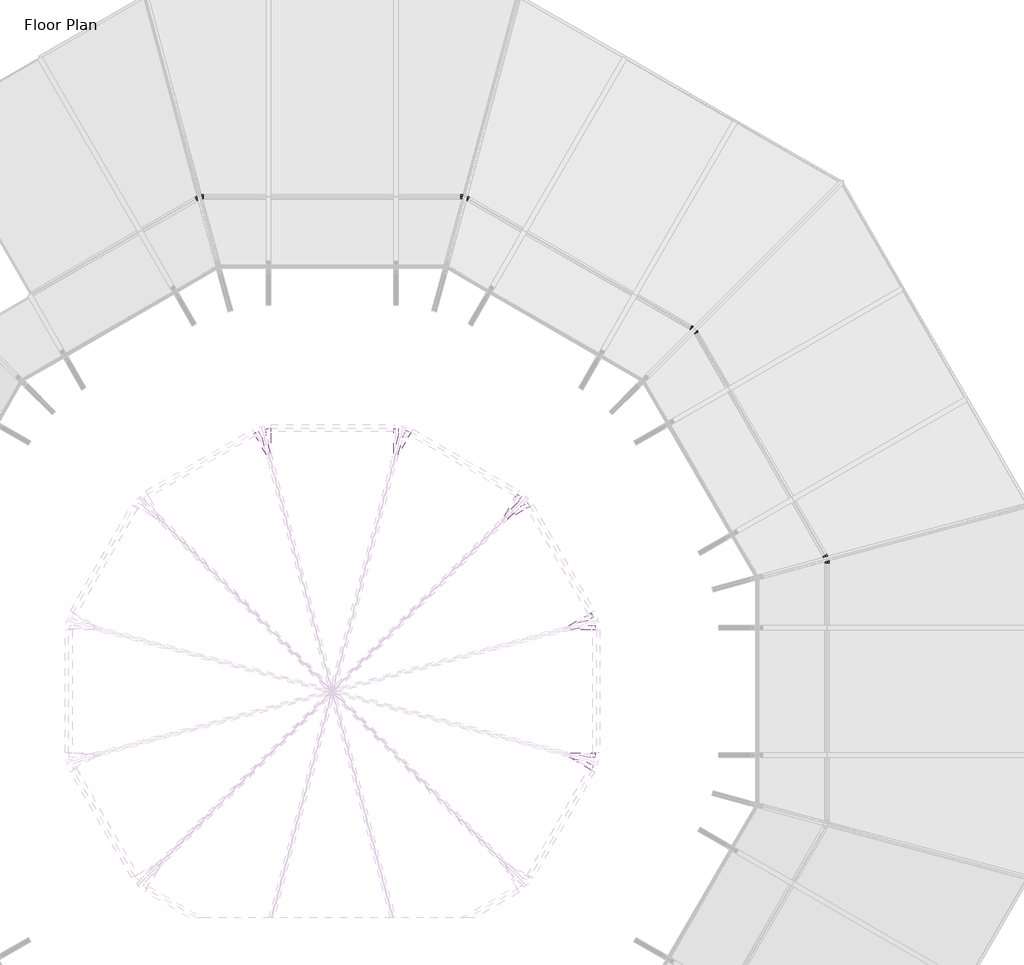
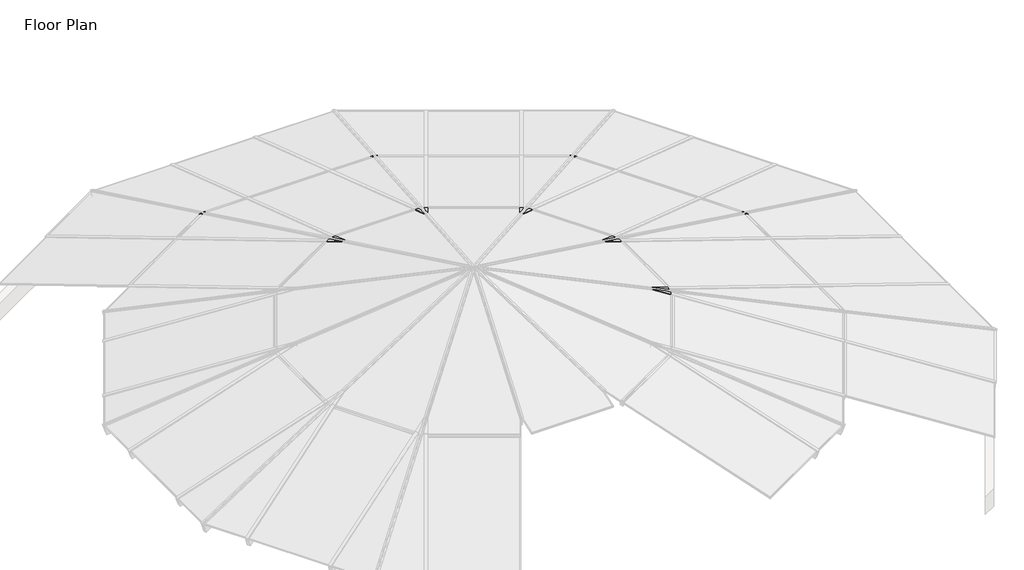
# One storey, part 7 of 7: 18 proxies.
"""IFC4 building model written with IfcOpenShell, lengths in millimetres."""

import ifcopenshell
import ifcopenshell.guid

model = None  # the IFC model being written
_history = None  # IfcOwnerHistory: only IFC2X3 demands one
_inside = {}  # id of a spatial element -> (the spatial element, [elements in it])
_under = {}  # id of a project, library or spatial element -> (it, [spatial elements below it])
_declared = {}  # id of a project -> (the project, [libraries it declares])
_typed = {}  # id of a type object -> (the type object, [elements of that type])
_made_of = {}  # id of a material, layer set ... -> (it, [elements and type objects made of it])


def new_model(schema):
    """Start an empty IFC model of exactly this schema.

    Asked for "IFC4X3", IfcOpenShell would pick the latest addendum, in which some entities
    have other attributes; the version numbers below select the first issue.
    IFC2X3 requires an IfcOwnerHistory on every rooted entity: one is made here for all.
    """
    global model, _history
    if schema == "IFC4X3":
        model = ifcopenshell.file(schema_version=(4, 3, 0, 0))
    else:
        model = ifcopenshell.file(schema=schema)
    _inside.clear()
    _under.clear()
    _declared.clear()
    _typed.clear()
    _made_of.clear()
    _history = None
    if model.schema == "IFC2X3":
        org = make("IfcOrganization", Name="unknown")
        user = make(
            "IfcPersonAndOrganization",
            ThePerson=make("IfcPerson", FamilyName="unknown"),
            TheOrganization=org,
        )
        app = make(
            "IfcApplication",
            ApplicationDeveloper=org,
            Version="unknown",
            ApplicationFullName="unknown",
            ApplicationIdentifier="unknown",
        )
        _history = make(
            "IfcOwnerHistory",
            OwningUser=user,
            OwningApplication=app,
            ChangeAction="ADDED",
            CreationDate=0,
        )
    return model


def make(cls, **values):
    """One entity of the class cls with the attributes given. An attribute that is None is left unset."""
    return model.create_entity(
        cls, **{name: value for name, value in values.items() if value is not None}
    )


def rooted(cls, **values):
    """An entity with a GlobalId (a new one), such as an element, a storey or a relation."""
    return make(cls, GlobalId=ifcopenshell.guid.new(), OwnerHistory=_history, **values)


def si_unit(unit_type, name, prefix=None):
    """IfcSIUnit, for example si_unit("LENGTHUNIT", "METRE", prefix="MILLI")."""
    return make("IfcSIUnit", UnitType=unit_type, Prefix=prefix, Name=name)


def assignment(units):
    """IfcUnitAssignment: the units of a project."""
    return None if units is None else make("IfcUnitAssignment", Units=units)


def point(xyz):
    """IfcCartesianPoint."""
    return None if xyz is None else make("IfcCartesianPoint", Coordinates=xyz)


def direction(xyz):
    """IfcDirection."""
    return None if xyz is None else make("IfcDirection", DirectionRatios=xyz)


def frame(location, z_axis=None, x_axis=None):
    """IfcAxis2Placement3D, a coordinate frame: its origin and axes. An axis left out is left unset."""
    return make(
        "IfcAxis2Placement3D",
        Location=point(location),
        Axis=direction(z_axis),
        RefDirection=direction(x_axis),
    )


def origin():
    """The frame at (0, 0, 0) with its axes left unset."""
    return frame((0.0, 0.0, 0.0))


def place(relative_to, where):
    """IfcLocalPlacement: puts the frame where relative to a parent placement (None: the world)."""
    return make(
        "IfcLocalPlacement", PlacementRelTo=relative_to, RelativePlacement=where
    )


def context(
    kind, dimensions, precision=None, world=None, true_north=None, identifier=None
):
    """IfcGeometricRepresentationContext, for example the 3D "Model" context."""
    return make(
        "IfcGeometricRepresentationContext",
        ContextIdentifier=identifier,
        ContextType=kind,
        CoordinateSpaceDimension=dimensions,
        Precision=precision,
        WorldCoordinateSystem=world,
        TrueNorth=true_north,
    )


def project(units=None, contexts=None):
    """IfcProject with its units and contexts."""
    return rooted(
        "IfcProject",
        Name="project",
        RepresentationContexts=contexts,
        UnitsInContext=assignment(units),
    )


def spatial(cls, under=None, at=None, **own):
    """A site, building, storey or space (cls), placed at a placement, below another one or the project."""
    s = rooted(cls, ObjectPlacement=at, **own)
    if under is not None:
        _under.setdefault(under.id(), (under, []))[1].append(s)
    return s


def faces_of(points, faces, orient=None, outer=None):
    """IfcFace entities. A face is a list of loops; a loop is a list of indices into points, from 0.

    orient and outer hold one flag for each loop. By default every Orientation is true, the
    first loop of a face is its IfcFaceOuterBound and the others are IfcFaceBound.
    """
    made = []
    for i, loops in enumerate(faces):
        bounds = []
        for j, loop in enumerate(loops):
            is_outer = j == 0 if outer is None else outer[i][j]
            bounds.append(
                make(
                    "IfcFaceOuterBound" if is_outer else "IfcFaceBound",
                    Bound=make("IfcPolyLoop", Polygon=[points[k] for k in loop]),
                    Orientation=True if orient is None else orient[i][j],
                )
            )
        made.append(make("IfcFace", Bounds=bounds))
    return made


def faceted_brep(points, faces, orient=None, outer=None, voids=None):
    """IfcFacetedBrep: a solid bounded by flat faces; with voids (closed shells), ...WithVoids."""
    shared = [point(p) for p in points]
    hull = make("IfcClosedShell", CfsFaces=faces_of(shared, faces, orient, outer))
    if voids is None:
        return make("IfcFacetedBrep", Outer=hull)
    return make(
        "IfcFacetedBrepWithVoids",
        Outer=hull,
        Voids=[
            make(cls, CfsFaces=faces_of(shared, fs, o, b)) for cls, fs, o, b in voids
        ],
    )


def shape(context_of_items, identifier, shape_type, items):
    """IfcShapeRepresentation: the items that make up one representation, for example the "Body"."""
    return make(
        "IfcShapeRepresentation",
        ContextOfItems=context_of_items,
        RepresentationIdentifier=identifier,
        RepresentationType=shape_type,
        Items=items,
    )


def made_of(thing, what):
    """Note that an element or type object is made of a material, layer set ...; save() writes the relation."""
    if what is not None:
        _made_of.setdefault(what.id(), (what, []))[1].append(thing)
    return thing


def element(
    cls,
    number,
    at=None,
    inside=None,
    cuts=None,
    type_object=None,
    material=None,
    context=None,
    identifier="Body",
    shape_type=None,
    held_by="IfcProductDefinitionShape",
    body=None,
    shapes=None,
    **own,
):
    """One element of the class cls, such as IfcWall. Its Tag is "e" and its number.

    at: its placement. inside: the storey or other place that contains it. cuts: it is an
    opening in that element (IfcRelVoidsElement). A single representation is given by context,
    identifier, shape_type and body (its items); several are given by shapes. held_by: the class
    of the entity that holds the representations. save() writes the other relations.
    """
    e = rooted(cls, Tag="e%d" % number, ObjectPlacement=at, **own)
    if body is not None:
        shapes = [shape(context, identifier, shape_type, body)]
    if shapes is not None:
        e.Representation = make(held_by, Representations=shapes)
    if inside is not None:
        _inside.setdefault(inside.id(), (inside, []))[1].append(e)
    if cuts is not None:
        rooted(
            "IfcRelVoidsElement", RelatingBuildingElement=cuts, RelatedOpeningElement=e
        )
    if type_object is not None:
        _typed.setdefault(type_object.id(), (type_object, []))[1].append(e)
    return made_of(e, material)


def aggregate(whole, parts):
    """IfcRelAggregates: a whole, such as a stair, and the parts it consists of."""
    return rooted("IfcRelAggregates", RelatingObject=whole, RelatedObjects=parts)


def save(model, path):
    """Write the relations noted so far, then the file.

    IfcRelAggregates (storeys below a building ...), IfcRelContainedInSpatialStructure (elements
    in a storey), IfcRelDefinesByType, IfcRelAssociatesMaterial and IfcRelDeclares: one each for
    every whole, place, type object, material and project.
    """
    for whole, parts in _under.values():
        aggregate(whole, parts)
    for where, things in _inside.values():
        rooted(
            "IfcRelContainedInSpatialStructure",
            RelatedElements=things,
            RelatingStructure=where,
        )
    for kind, things in _typed.values():
        rooted("IfcRelDefinesByType", RelatedObjects=things, RelatingType=kind)
    for what, things in _made_of.values():
        rooted("IfcRelAssociatesMaterial", RelatedObjects=things, RelatingMaterial=what)
    for by, libraries in _declared.values():
        rooted("IfcRelDeclares", RelatingContext=by, RelatedDefinitions=libraries)
    model.write(path)


model = new_model("IFC4")

# Units and contexts
model_context = context("Model", 3, world=origin())
ifc_project = project(units=[si_unit("LENGTHUNIT", "METRE", prefix="MILLI")], contexts=[model_context])

# Site, building, storey
site = spatial("IfcSite", under=ifc_project)
building = spatial("IfcBuilding", under=site)
storey = spatial("IfcBuildingStorey", under=building, Name="Floor Plan", Elevation=0.0)

# Proxies
placement = place(None, origin())
element("IfcBuildingElementProxy", 1, Name="Purlin10 : Purlin", ObjectType="Purlin10 : Purlin", at=placement, inside=storey, context=model_context, shape_type="Brep", body=[
    faceted_brep([(10444.2562275, 7986.98123, 912.0046085), (10433.0863309, 8006.3280584, 894.2792535), (10434.0597695, 8004.6420132, 888.4811234), (10442.3484329, 7990.2856272, 894.0053081), (10445.8985537, 7984.1366375, 872.6984486), (10437.6151242, 7998.4839582, 867.1777521), (10449.7124758, 7977.5307307, 794.5727396), (10479.8340376, 7925.3586552, 814.6479994), (10467.736686, 7946.3118828, 887.253012), (10459.8207396, 7960.0227042, 881.9772337), (10456.2706187, 7966.1716939, 903.2840932), (10464.1747053, 7952.4814144, 908.5519672), (10463.2078927, 7954.155983, 914.3545133), (10448.9544362, 7978.8436938, 915.1358458), (10468.0492348, 8000.7181291, 912.0046085), (10462.0638334, 8023.0582273, 894.2792535), (10462.5858288, 8021.1115413, 888.4811234), (10467.0277101, 8004.5342146, 894.0053081), (10468.9314305, 7997.4346751, 872.6984486), (10464.492354, 8014.0015341, 867.1777521), (10470.9794497, 7989.8092238, 794.5727396), (10487.121546, 7929.5661002, 814.6479994), (10480.6344503, 7953.7584104, 887.253012), (10476.3923074, 7969.5903033, 881.9772337), (10474.4885871, 7976.6898429, 903.2840932), (10478.7243743, 7960.8816697, 908.5519672), (10478.2059297, 7962.8151037, 914.3545133), (10470.5669972, 7991.3217117, 915.1358458)], [[[0, 1, 2, 3, 4, 5, 6, 7, 8, 9, 10, 11, 12, 13]], [[1, 0, 14, 15]], [[2, 1, 15, 16]], [[3, 2, 16, 17]], [[4, 3, 17, 18]], [[5, 4, 18, 19]], [[6, 5, 19, 20]], [[7, 6, 20, 21]], [[8, 7, 21, 22]], [[9, 8, 22, 23]], [[10, 9, 23, 24]], [[11, 10, 24, 25]], [[12, 11, 25, 26]], [[13, 12, 26, 27]], [[0, 13, 27, 14]], [[15, 14, 27, 26, 25, 24, 23, 22, 21, 20, 19, 18, 17, 16]]]),
])
element("IfcBuildingElementProxy", 2, Name="Purlin11 : Purlin", ObjectType="Purlin11 : Purlin", at=placement, inside=storey, context=model_context, shape_type="Brep", body=[
    faceted_brep([(10556.9164247, 8017.1684389, 912.0046085), (10556.9164247, 8007.7720215, 915.1358458), (10556.9164247, 7979.2651084, 914.3545133), (10556.9164247, 7977.3314833, 908.5519672), (10556.9164247, 7993.1396564, 903.2840932), (10556.9164247, 7986.0394146, 881.9772337), (10556.9164247, 7970.2075217, 887.253012), (10556.9164247, 7946.0128186, 814.6479994), (10556.9164247, 8006.2559422, 794.5727396), (10556.9164247, 8030.4506454, 867.1777521), (10556.9164247, 8013.8837864, 872.6984486), (10556.9164247, 8020.9840281, 894.0053081), (10556.9164247, 8037.5613548, 888.4811234), (10556.9164247, 8039.5082321, 894.2792535), (10523.4560869, 8039.5082321, 894.2792535), (10529.4426264, 8017.1684389, 912.0046085), (10523.9773687, 8037.5613548, 888.4811234), (10528.41925, 8020.9840281, 894.0053081), (10530.3203496, 8013.8837864, 872.6984486), (10525.8812731, 8030.4506454, 867.1777521), (10532.3594385, 8006.2559422, 794.5727396), (10548.5015349, 7946.0128186, 814.6479994), (10542.0233694, 7970.2075217, 887.253012), (10537.7812265, 7986.0394146, 881.9772337), (10535.8801269, 7993.1396564, 903.2840932), (10540.1159141, 7977.3314833, 908.5519672), (10539.5981833, 7979.2651084, 914.3545133), (10531.9603889, 8007.7720215, 915.1358458)], [[[0, 1, 2, 3, 4, 5, 6, 7, 8, 9, 10, 11, 12, 13]], [[0, 13, 14, 15]], [[13, 12, 16, 14]], [[12, 11, 17, 16]], [[11, 10, 18, 17]], [[10, 9, 19, 18]], [[9, 8, 20, 19]], [[8, 7, 21, 20]], [[7, 6, 22, 21]], [[6, 5, 23, 22]], [[5, 4, 24, 23]], [[4, 3, 25, 24]], [[3, 2, 26, 25]], [[2, 1, 27, 26]], [[1, 0, 15, 27]], [[15, 14, 16, 17, 18, 19, 20, 21, 22, 23, 24, 25, 26, 27]]]),
])
element("IfcBuildingElementProxy", 3, Name="Purlin12 : Purlin", ObjectType="Purlin12 : Purlin", at=placement, inside=storey, context=model_context, shape_type="Brep", body=[
    faceted_brep([(14016.3874813, 8017.1684389, 912.0046085), (14016.3874813, 8039.5082321, 894.2792535), (14016.3874813, 8037.5613548, 888.4811234), (14016.3874813, 8020.9840281, 894.0053081), (14016.3874813, 8013.8837864, 872.6984486), (14016.3874813, 8030.4506454, 867.1777521), (14016.3874813, 8006.2559422, 794.5727396), (14016.3874813, 7946.0128186, 814.6479994), (14016.3874813, 7970.2075217, 887.253012), (14016.3874813, 7986.0394146, 881.9772337), (14016.3874813, 7993.1396564, 903.2840932), (14016.3874813, 7977.3314833, 908.5519672), (14016.3874813, 7979.2651084, 914.3545133), (14016.3874813, 8007.7720215, 915.1358458), (14043.8612796, 8017.1684389, 912.0046085), (14049.8478191, 8039.5082321, 894.2792535), (14049.3265374, 8037.5613548, 888.4811234), (14044.8846561, 8020.9840281, 894.0053081), (14042.9835565, 8013.8837864, 872.6984486), (14047.422633, 8030.4506454, 867.1777521), (14040.9444675, 8006.2559422, 794.5727396), (14024.8023712, 7946.0128186, 814.6479994), (14031.2805366, 7970.2075217, 887.253012), (14035.5226795, 7986.0394146, 881.9772337), (14037.4237792, 7993.1396564, 903.2840932), (14033.1879919, 7977.3314833, 908.5519672), (14033.7057228, 7979.2651084, 914.3545133), (14041.3435172, 8007.7720215, 915.1358458)], [[[0, 1, 2, 3, 4, 5, 6, 7, 8, 9, 10, 11, 12, 13]], [[1, 0, 14, 15]], [[2, 1, 15, 16]], [[3, 2, 16, 17]], [[4, 3, 17, 18]], [[5, 4, 18, 19]], [[6, 5, 19, 20]], [[7, 6, 20, 21]], [[8, 7, 21, 22]], [[9, 8, 22, 23]], [[10, 9, 23, 24]], [[11, 10, 24, 25]], [[12, 11, 25, 26]], [[13, 12, 26, 27]], [[0, 13, 27, 14]], [[15, 14, 27, 26, 25, 24, 23, 22, 21, 20, 19, 18, 17, 16]]]),
])
element("IfcBuildingElementProxy", 4, Name="Purlin13 : Purlin", ObjectType="Purlin13 : Purlin", at=placement, inside=storey, context=model_context, shape_type="Brep", body=[
    faceted_brep([(14129.0483017, 7986.981063, 912.0046085), (14124.350093, 7978.8435269, 915.1358458), (14110.0966365, 7954.155816, 914.3545133), (14109.1298239, 7952.4812475, 908.5519672), (14117.0339104, 7966.171527, 903.2840932), (14113.4837895, 7960.0225373, 881.9772337), (14105.5678431, 7946.3117158, 887.253012), (14093.4704915, 7925.3584883, 814.6479994), (14123.5920533, 7977.5305637, 794.5727396), (14135.6894049, 7998.4837913, 867.1777521), (14127.4059754, 7984.1364705, 872.6984486), (14130.9560963, 7990.2854602, 894.0053081), (14139.2447596, 8004.6418463, 888.4811234), (14140.2181983, 8006.3278915, 894.2792535), (14111.2406957, 8023.0580603, 894.2792535), (14105.2552944, 8000.7179622, 912.0046085), (14110.7187003, 8021.1113743, 888.4811234), (14106.276819, 8004.5340476, 894.0053081), (14104.3730987, 7997.4345081, 872.6984486), (14108.8121752, 8014.0013671, 867.1777521), (14102.3250795, 7989.8090568, 794.5727396), (14086.1829831, 7929.5659332, 814.6479994), (14092.6700788, 7953.7582435, 887.253012), (14096.9122218, 7969.5901364, 881.9772337), (14098.8159421, 7976.6896759, 903.2840932), (14094.5801549, 7960.8815028, 908.5519672), (14095.0985994, 7962.8149367, 914.3545133), (14102.7375319, 7991.3215448, 915.1358458)], [[[0, 1, 2, 3, 4, 5, 6, 7, 8, 9, 10, 11, 12, 13]], [[0, 13, 14, 15]], [[13, 12, 16, 14]], [[12, 11, 17, 16]], [[11, 10, 18, 17]], [[10, 9, 19, 18]], [[9, 8, 20, 19]], [[8, 7, 21, 20]], [[7, 6, 22, 21]], [[6, 5, 23, 22]], [[5, 4, 24, 23]], [[4, 3, 25, 24]], [[3, 2, 26, 25]], [[2, 1, 27, 26]], [[1, 0, 15, 27]], [[15, 14, 16, 17, 18, 19, 20, 21, 22, 23, 24, 25, 26, 27]]]),
])
element("IfcBuildingElementProxy", 5, Name="Purlin14 : Purlin", ObjectType="Purlin14 : Purlin", at=placement, inside=storey, context=model_context, shape_type="Brep", body=[
    faceted_brep([(17125.0375807, 6257.2458463, 912.0046085), (17136.2074773, 6276.5926747, 894.2792535), (17135.2340386, 6274.9066295, 888.4811234), (17126.9453753, 6260.5502435, 894.0053081), (17123.3952544, 6254.4012538, 872.6984486), (17131.6786839, 6268.7485745, 867.1777521), (17119.5813324, 6247.795347, 794.5727396), (17089.4597706, 6195.6232715, 814.6479994), (17101.5571221, 6216.5764991, 887.253012), (17109.4730686, 6230.2873205, 881.9772337), (17113.0231894, 6236.4363102, 903.2840932), (17105.1191029, 6222.7460307, 908.5519672), (17106.0859155, 6224.4205993, 914.3545133), (17120.339372, 6249.1083101, 915.1358458), (17148.830588, 6243.5089471, 912.0046085), (17165.1849798, 6259.8625058, 894.2792535), (17163.760098, 6258.4371015, 888.4811234), (17151.6246526, 6246.3016561, 894.0053081), (17146.4281312, 6241.1032162, 872.6984486), (17158.5559137, 6253.2309987, 867.1777521), (17140.8483063, 6235.5168539, 794.5727396), (17096.747279, 6191.4158266, 814.6479994), (17114.4548864, 6209.1299714, 887.253012), (17126.0446364, 6220.7197214, 881.9772337), (17131.2411578, 6225.9181613, 903.2840932), (17119.6687719, 6214.3457754, 908.5519672), (17121.0839525, 6215.7614785, 914.3545133), (17141.951933, 6236.6302922, 915.1358458)], [[[0, 1, 2, 3, 4, 5, 6, 7, 8, 9, 10, 11, 12, 13]], [[1, 0, 14, 15]], [[2, 1, 15, 16]], [[3, 2, 16, 17]], [[4, 3, 17, 18]], [[5, 4, 18, 19]], [[6, 5, 19, 20]], [[7, 6, 20, 21]], [[8, 7, 21, 22]], [[9, 8, 22, 23]], [[10, 9, 23, 24]], [[11, 10, 24, 25]], [[12, 11, 25, 26]], [[13, 12, 26, 27]], [[0, 13, 27, 14]], [[15, 14, 27, 26, 25, 24, 23, 22, 21, 20, 19, 18, 17, 16]]]),
])
element("IfcBuildingElementProxy", 6, Name="Purlin15 : Purlin", ObjectType="Purlin15 : Purlin", at=placement, inside=storey, context=model_context, shape_type="Brep", body=[
    faceted_brep([(17207.5110252, 6174.7724018, 912.0046085), (17199.373489, 6170.0741931, 915.1358458), (17174.6857782, 6155.8207366, 914.3545133), (17173.0112096, 6154.853924, 908.5519672), (17186.7014891, 6162.7580105, 903.2840932), (17180.5524994, 6159.2078897, 881.9772337), (17166.841678, 6151.2919432, 887.253012), (17145.8884504, 6139.1945916, 814.6479994), (17198.0605259, 6169.3161535, 794.5727396), (17219.0137535, 6181.413505, 867.1777521), (17204.6664327, 6173.1300755, 872.6984486), (17210.8154224, 6176.6801964, 894.0053081), (17225.1718085, 6184.9688597, 888.4811234), (17226.8578536, 6185.9422984, 894.2792535), (17210.1276847, 6214.9198009, 894.2792535), (17193.774126, 6198.565409, 912.0046085), (17208.7022804, 6213.4949191, 888.4811234), (17196.566835, 6201.3594737, 894.0053081), (17191.3683951, 6196.1629523, 872.6984486), (17203.4961776, 6208.2907348, 867.1777521), (17185.7820328, 6190.5831273, 794.5727396), (17141.6810055, 6146.4821, 814.6479994), (17159.3951503, 6164.1897075, 887.253012), (17170.9849003, 6175.7794574, 881.9772337), (17176.1833402, 6180.9759789, 903.2840932), (17164.6109543, 6169.403593, 908.5519672), (17166.0266574, 6170.8187736, 914.3545133), (17186.8954711, 6191.6867541, 915.1358458)], [[[0, 1, 2, 3, 4, 5, 6, 7, 8, 9, 10, 11, 12, 13]], [[0, 13, 14, 15]], [[13, 12, 16, 14]], [[12, 11, 17, 16]], [[11, 10, 18, 17]], [[10, 9, 19, 18]], [[9, 8, 20, 19]], [[8, 7, 21, 20]], [[7, 6, 22, 21]], [[6, 5, 23, 22]], [[5, 4, 24, 23]], [[4, 3, 25, 24]], [[3, 2, 26, 25]], [[2, 1, 27, 26]], [[1, 0, 15, 27]], [[15, 14, 16, 17, 18, 19, 20, 21, 22, 23, 24, 25, 26, 27]]]),
])
element("IfcBuildingElementProxy", 7, Name="Purlin16 : Purlin", ObjectType="Purlin16 : Purlin", at=placement, inside=storey, context=model_context, shape_type="Brep", body=[
    faceted_brep([(18937.2465535, 3178.7825831, 912.0046085), (18956.5933819, 3189.9524797, 894.2792535), (18954.9073367, 3188.9790411, 888.4811234), (18940.5509507, 3180.6903777, 894.0053081), (18934.401961, 3177.1402569, 872.6984486), (18948.7492817, 3185.4236864, 867.1777521), (18927.7960542, 3173.3263348, 794.5727396), (18875.6239787, 3143.204773, 814.6479994), (18896.5772063, 3155.3021246, 887.253012), (18910.2880277, 3163.218071, 881.9772337), (18916.4370174, 3166.7681919, 903.2840932), (18902.7467379, 3158.8641053, 908.5519672), (18904.4213065, 3159.8309179, 914.3545133), (18929.1090173, 3174.0843744, 915.1358458), (18950.9834526, 3154.9895758, 912.0046085), (18973.3235508, 3160.9749772, 894.2792535), (18971.3768648, 3160.4529817, 888.4811234), (18954.7995381, 3156.0111005, 894.0053081), (18947.6999986, 3154.1073801, 872.6984486), (18964.2668576, 3158.5464566, 867.1777521), (18940.0745473, 3152.0593609, 794.5727396), (18879.8314237, 3135.9172646, 814.6479994), (18904.023734, 3142.4043603, 887.253012), (18919.8556268, 3146.6465032, 881.9772337), (18926.9551664, 3148.5502235, 903.2840932), (18911.1469932, 3144.3144363, 908.5519672), (18913.0804272, 3144.8328808, 914.3545133), (18941.5870353, 3152.4718134, 915.1358458)], [[[0, 1, 2, 3, 4, 5, 6, 7, 8, 9, 10, 11, 12, 13]], [[1, 0, 14, 15]], [[2, 1, 15, 16]], [[3, 2, 16, 17]], [[4, 3, 17, 18]], [[5, 4, 18, 19]], [[6, 5, 19, 20]], [[7, 6, 20, 21]], [[8, 7, 21, 22]], [[9, 8, 22, 23]], [[10, 9, 23, 24]], [[11, 10, 24, 25]], [[12, 11, 25, 26]], [[13, 12, 26, 27]], [[0, 13, 27, 14]], [[15, 14, 27, 26, 25, 24, 23, 22, 21, 20, 19, 18, 17, 16]]]),
])
element("IfcBuildingElementProxy", 8, Name="Purlin17 : Purlin", ObjectType="Purlin17 : Purlin", at=placement, inside=storey, context=model_context, shape_type="Brep", body=[
    faceted_brep([(18967.4339293, 3066.1217628, 912.0046085), (18958.0375119, 3066.1217628, 915.1358458), (18929.5305989, 3066.1217628, 914.3545133), (18927.5969737, 3066.1217628, 908.5519672), (18943.4051468, 3066.1217628, 903.2840932), (18936.3049051, 3066.1217628, 881.9772337), (18920.4730122, 3066.1217628, 887.253012), (18896.2783091, 3066.1217628, 814.6479994), (18956.5214327, 3066.1217628, 794.5727396), (18980.7161358, 3066.1217628, 867.1777521), (18964.1492768, 3066.1217628, 872.6984486), (18971.2495186, 3066.1217628, 894.0053081), (18987.8268452, 3066.1217628, 888.4811234), (18989.7737225, 3066.1217628, 894.2792535), (18989.7737225, 3099.5821006, 894.2792535), (18967.4339293, 3093.5955611, 912.0046085), (18987.8268452, 3099.0608188, 888.4811234), (18971.2495186, 3094.6189375, 894.0053081), (18964.1492768, 3092.7178379, 872.6984486), (18980.7161358, 3097.1569144, 867.1777521), (18956.5214327, 3090.678749, 794.5727396), (18896.2783091, 3074.5366526, 814.6479994), (18920.4730122, 3081.0148181, 887.253012), (18936.3049051, 3085.256961, 881.9772337), (18943.4051468, 3087.1580606, 903.2840932), (18927.5969737, 3082.9222734, 908.5519672), (18929.5305989, 3083.4400042, 914.3545133), (18958.0375119, 3091.0777986, 915.1358458)], [[[0, 1, 2, 3, 4, 5, 6, 7, 8, 9, 10, 11, 12, 13]], [[0, 13, 14, 15]], [[13, 12, 16, 14]], [[12, 11, 17, 16]], [[11, 10, 18, 17]], [[10, 9, 19, 18]], [[9, 8, 20, 19]], [[8, 7, 21, 20]], [[7, 6, 22, 21]], [[6, 5, 23, 22]], [[5, 4, 24, 23]], [[4, 3, 25, 24]], [[3, 2, 26, 25]], [[2, 1, 27, 26]], [[1, 0, 15, 27]], [[15, 14, 16, 17, 18, 19, 20, 21, 22, 23, 24, 25, 26, 27]]]),
])
element("IfcBuildingElementProxy", 9, Name="Rafter10 : Rafter", ObjectType="Rafter10 : Rafter", at=placement, inside=storey, context=model_context, shape_type="Brep", body=[
    faceted_brep([(11396.9204891, 4534.1320979, 2050.4944179), (11396.9186367, 4534.1353065, 2067.2264209), (11232.4408201, 4819.0192415, 1957.6061122), (11234.9502276, 4814.6728203, 1942.5453313), (11377.8704891, 4605.2276658, 2026.8027181), (11251.4480115, 4824.1978203, 1942.5453313), (11377.8731122, 4605.2231225, 2003.1102019), (11255.0013325, 4818.0432878, 1921.2192655), (11388.9983122, 4563.7033109, 2016.9461546), (11245.3666267, 4812.4806878, 1921.2192655), (11388.999148, 4563.7018632, 2009.3966748), (11246.4988713, 4810.5195825, 1914.4238412), (11381.048948, 4593.3724135, 1999.5093388), (11253.3839465, 4814.4946825, 1914.4238412), (11381.0498698, 4593.370817, 1991.1834941), (11254.6326277, 4812.3319033, 1906.9295966), (11396.9248698, 4534.1245104, 2010.9265773), (11240.8844744, 4804.3944033, 1906.9295966), (11396.9408957, 4534.0967528, 1866.1746732), (11262.5938604, 4766.7926438, 1776.6357688), (11333.4408957, 4771.0819791, 1787.2023406), (11317.5864735, 4798.5426438, 1776.6357688), (11333.4248698, 4771.1097367, 1931.9542447), (11295.8770875, 4836.1444033, 1906.9295966), (11349.2998698, 4711.8634301, 1951.6973279), (11282.1289342, 4828.2069033, 1906.9295966), (11349.298948, 4711.8650267, 1960.0231725), (11280.8802531, 4830.3696825, 1914.4238412), (11341.348748, 4741.535577, 1950.1358365), (11287.7653282, 4834.3447825, 1914.4238412), (11341.3479122, 4741.5370247, 1957.6853162), (11286.6330836, 4836.3058878, 1921.2192655), (11352.4731122, 4700.0172131, 1971.5212689), (11276.9983778, 4830.7432878, 1921.2192655), (11352.4704891, 4700.0217563, 1995.2137851), (11273.4450568, 4836.8978203, 1942.5453313), (11333.4204891, 4771.1173242, 1971.5220853), (11289.9428407, 4846.4228203, 1942.5453313), (11333.4186367, 4771.1205327, 1988.2540883), (11287.4334332, 4850.7692415, 1957.6061122)], [[[0, 1, 2, 3]], [[4, 0, 3, 5]], [[6, 4, 5, 7]], [[8, 6, 7, 9]], [[10, 8, 9, 11]], [[12, 10, 11, 13]], [[14, 12, 13, 15]], [[16, 14, 15, 17]], [[18, 16, 17, 19]], [[20, 18, 19, 21]], [[22, 20, 21, 23]], [[24, 22, 23, 25]], [[26, 24, 25, 27]], [[28, 26, 27, 29]], [[30, 28, 29, 31]], [[32, 30, 31, 33]], [[34, 32, 33, 35]], [[36, 34, 35, 37]], [[38, 36, 37, 39]], [[1, 38, 39, 2]], [[1, 0, 4, 6, 8, 10, 12, 14, 16, 18, 20, 22, 24, 26, 28, 30, 32, 34, 36, 38]], [[3, 2, 39, 37, 35, 33, 31, 29, 27, 25, 23, 21, 19, 17, 15, 13, 11, 9, 7, 5]]]),
])
element("IfcBuildingElementProxy", 10, Name="Rafter11 : Rafter", ObjectType="Rafter11 : Rafter", at=placement, inside=storey, context=model_context, shape_type="Brep", body=[
    faceted_brep([(11458.3095389, 4550.5849491, 2067.2264209), (11458.3095389, 4550.5812442, 2050.4944179), (11458.3095389, 4876.0739925, 1942.0280719), (11458.3095389, 4881.0928074, 1957.0888528), (11439.2595389, 4621.6768121, 2026.8027181), (11439.2595389, 4876.0739925, 1942.0280719), (11439.2595389, 4621.671566, 2003.1102019), (11439.2595389, 4868.9673505, 1920.7020061), (11450.3847389, 4580.1517544, 2016.9461546), (11450.3847389, 4868.9673505, 1920.7020061), (11450.3847389, 4580.1500827, 2009.3966748), (11450.3847389, 4866.7028612, 1913.9065818), (11442.4345389, 4609.820633, 1999.5093388), (11442.4345389, 4866.7028612, 1913.9065818), (11442.4345389, 4609.8187895, 1991.1834941), (11442.4345389, 4864.2054989, 1906.4123372), (11458.3095389, 4550.5724829, 2010.9265773), (11458.3095389, 4864.2054989, 1906.4123372), (11458.3095389, 4550.5404312, 1866.1746732), (11458.3095389, 4820.7867269, 1776.1185094), (11394.8095389, 4787.5256575, 1787.2023406), (11394.8095389, 4820.7867269, 1776.1185094), (11394.8095389, 4787.5577092, 1931.9542447), (11394.8095389, 4864.2054989, 1906.4123372), (11410.6845389, 4728.3114026, 1951.6973279), (11410.6845389, 4864.2054989, 1906.4123372), (11410.6845389, 4728.3132462, 1960.0231725), (11410.6845389, 4866.7028612, 1913.9065818), (11402.7343389, 4757.9837965, 1950.1358365), (11402.7343389, 4866.7028612, 1913.9065818), (11402.7343389, 4757.9854682, 1957.6853162), (11402.7343389, 4868.9673505, 1920.7020061), (11413.8595389, 4716.4656565, 1971.5212689), (11413.8595389, 4868.9673505, 1920.7020061), (11413.8595389, 4716.4709026, 1995.2137851), (11413.8595389, 4876.0739925, 1942.0280719), (11394.8095389, 4787.5664705, 1971.5220853), (11394.8095389, 4876.0739925, 1942.0280719), (11394.8095389, 4787.5701754, 1988.2540883), (11394.8095389, 4881.0928074, 1957.0888528)], [[[0, 1, 2, 3]], [[1, 4, 5, 2]], [[4, 6, 7, 5]], [[6, 8, 9, 7]], [[8, 10, 11, 9]], [[10, 12, 13, 11]], [[12, 14, 15, 13]], [[14, 16, 17, 15]], [[16, 18, 19, 17]], [[18, 20, 21, 19]], [[20, 22, 23, 21]], [[22, 24, 25, 23]], [[24, 26, 27, 25]], [[26, 28, 29, 27]], [[28, 30, 31, 29]], [[30, 32, 33, 31]], [[32, 34, 35, 33]], [[34, 36, 37, 35]], [[36, 38, 39, 37]], [[38, 0, 3, 39]], [[1, 0, 38, 36, 34, 32, 30, 28, 26, 24, 22, 20, 18, 16, 14, 12, 10, 8, 6, 4]], [[3, 2, 5, 7, 9, 11, 13, 15, 17, 19, 21, 23, 25, 27, 29, 31, 33, 35, 37, 39]]]),
])
element("IfcBuildingElementProxy", 11, Name="Rafter12 : Rafter", ObjectType="Rafter12 : Rafter", at=placement, inside=storey, context=model_context, shape_type="Brep", body=[
    faceted_brep([(13114.9943672, 4550.5812442, 2050.4944179), (13114.9943672, 4550.5849491, 2067.2264209), (13114.9943672, 4881.0928074, 1957.0888528), (13114.9943672, 4876.0739925, 1942.0280719), (13134.0443672, 4621.6768121, 2026.8027181), (13134.0443672, 4876.0739925, 1942.0280719), (13134.0443672, 4621.671566, 2003.1102019), (13134.0443672, 4868.9673505, 1920.7020061), (13122.9191672, 4580.1517544, 2016.9461546), (13122.9191672, 4868.9673505, 1920.7020061), (13122.9191672, 4580.1500827, 2009.3966748), (13122.9191672, 4866.7028612, 1913.9065818), (13130.8693672, 4609.820633, 1999.5093388), (13130.8693672, 4866.7028612, 1913.9065818), (13130.8693672, 4609.8187895, 1991.1834941), (13130.8693672, 4864.2054989, 1906.4123372), (13114.9943672, 4550.5724829, 2010.9265773), (13114.9943672, 4864.2054989, 1906.4123372), (13114.9943672, 4550.5404312, 1866.1746732), (13114.9943672, 4820.7867269, 1776.1185094), (13178.4943672, 4787.5256575, 1787.2023406), (13178.4943672, 4820.7867269, 1776.1185094), (13178.4943672, 4787.5577092, 1931.9542447), (13178.4943672, 4864.2054989, 1906.4123372), (13162.6193672, 4728.3114026, 1951.6973279), (13162.6193672, 4864.2054989, 1906.4123372), (13162.6193672, 4728.3132462, 1960.0231725), (13162.6193672, 4866.7028612, 1913.9065818), (13170.5695672, 4757.9837965, 1950.1358365), (13170.5695672, 4866.7028612, 1913.9065818), (13170.5695672, 4757.9854682, 1957.6853162), (13170.5695672, 4868.9673505, 1920.7020061), (13159.4443672, 4716.4656565, 1971.5212689), (13159.4443672, 4868.9673505, 1920.7020061), (13159.4443672, 4716.4709026, 1995.2137851), (13159.4443672, 4876.0739925, 1942.0280719), (13178.4943672, 4787.5664705, 1971.5220853), (13178.4943672, 4876.0739925, 1942.0280719), (13178.4943672, 4787.5701754, 1988.2540883), (13178.4943672, 4881.0928074, 1957.0888528)], [[[0, 1, 2, 3]], [[4, 0, 3, 5]], [[6, 4, 5, 7]], [[8, 6, 7, 9]], [[10, 8, 9, 11]], [[12, 10, 11, 13]], [[14, 12, 13, 15]], [[16, 14, 15, 17]], [[18, 16, 17, 19]], [[20, 18, 19, 21]], [[22, 20, 21, 23]], [[24, 22, 23, 25]], [[26, 24, 25, 27]], [[28, 26, 27, 29]], [[30, 28, 29, 31]], [[32, 30, 31, 33]], [[34, 32, 33, 35]], [[36, 34, 35, 37]], [[38, 36, 37, 39]], [[1, 38, 39, 2]], [[1, 0, 4, 6, 8, 10, 12, 14, 16, 18, 20, 22, 24, 26, 28, 30, 32, 34, 36, 38]], [[3, 2, 39, 37, 35, 33, 31, 29, 27, 25, 23, 21, 19, 17, 15, 13, 11, 9, 7, 5]]]),
])
element("IfcBuildingElementProxy", 12, Name="Rafter13 : Rafter", ObjectType="Rafter13 : Rafter", at=placement, inside=storey, context=model_context, shape_type="Brep", body=[
    faceted_brep([(13176.3858924, 4534.1351395, 2067.2264209), (13176.38404, 4534.131931, 2050.4944179), (13341.6593486, 4820.3971627, 1940.342601), (13344.1687561, 4824.7435839, 1955.4033819), (13195.43404, 4605.2274989, 2026.8027181), (13325.1615646, 4829.9221627, 1940.342601), (13195.4314169, 4605.2229556, 2003.1102019), (13321.6082437, 4823.7676302, 1919.0165352), (13184.3062169, 4563.7031439, 2016.9461546), (13331.2429495, 4818.2050302, 1919.0165352), (13184.3053811, 4563.7016963, 2009.3966748), (13330.1107048, 4816.2439249, 1912.2211109), (13192.2555811, 4593.3722466, 1999.5093388), (13323.2256297, 4820.2190249, 1912.2211109), (13192.2546593, 4593.37065, 1991.1834941), (13321.9769485, 4818.0562457, 1904.7268663), (13176.3796593, 4534.1243435, 2010.9265773), (13335.7251018, 4810.1187457, 1904.7268663), (13176.3636335, 4534.0965858, 1866.1746732), (13314.0157158, 4772.5169862, 1774.4330385), (13239.8636335, 4771.0818121, 1787.2023406), (13259.0231027, 4804.2669862, 1774.4330385), (13239.8796593, 4771.1095697, 1931.9542447), (13280.7324886, 4841.8687457, 1904.7268663), (13224.0046593, 4711.8632632, 1951.6973279), (13294.4806419, 4833.9312457, 1904.7268663), (13224.0055811, 4711.8648597, 1960.0231725), (13295.7293231, 4836.0940249, 1912.2211109), (13231.9557811, 4741.5354101, 1950.1358365), (13288.8442479, 4840.0691249, 1912.2211109), (13231.9566169, 4741.5368577, 1957.6853162), (13289.9764926, 4842.0302302, 1919.0165352), (13220.8314169, 4700.0170461, 1971.5212689), (13299.6111984, 4836.4676302, 1919.0165352), (13220.83404, 4700.0215894, 1995.2137851), (13303.1645194, 4842.6221627, 1940.342601), (13239.88404, 4771.1171573, 1971.5220853), (13286.6667354, 4852.1471627, 1940.342601), (13239.8858924, 4771.1203658, 1988.2540883), (13289.1761429, 4856.4935839, 1955.4033819)], [[[0, 1, 2, 3]], [[1, 4, 5, 2]], [[4, 6, 7, 5]], [[6, 8, 9, 7]], [[8, 10, 11, 9]], [[10, 12, 13, 11]], [[12, 14, 15, 13]], [[14, 16, 17, 15]], [[16, 18, 19, 17]], [[18, 20, 21, 19]], [[20, 22, 23, 21]], [[22, 24, 25, 23]], [[24, 26, 27, 25]], [[26, 28, 29, 27]], [[28, 30, 31, 29]], [[30, 32, 33, 31]], [[32, 34, 35, 33]], [[34, 36, 37, 35]], [[36, 38, 39, 37]], [[38, 0, 3, 39]], [[1, 0, 38, 36, 34, 32, 30, 28, 26, 24, 22, 20, 18, 16, 14, 12, 10, 8, 6, 4]], [[3, 2, 5, 7, 9, 11, 13, 15, 17, 19, 21, 23, 25, 27, 29, 31, 33, 35, 37, 39]]]),
])
element("IfcBuildingElementProxy", 13, Name="Rafter14 : Rafter", ObjectType="Rafter14 : Rafter", at=placement, inside=storey, context=model_context, shape_type="Brep", body=[
    faceted_brep([(14611.1146477, 3705.7898284, 2050.4944179), (14611.1165002, 3705.7930369, 2067.2264209), (14778.8993638, 3996.4014813, 1955.4033819), (14776.3899563, 3992.0550601, 1940.342601), (14663.1602156, 3757.8353963, 2026.8027181), (14792.8877402, 3982.5300601, 1940.342601), (14663.1575925, 3757.830853, 2003.1102019), (14789.3344193, 3976.3755276, 1919.0165352), (14632.7629809, 3727.4362414, 2016.9461546), (14779.6997134, 3981.9381276, 1919.0165352), (14632.7621451, 3727.4347937, 2009.3966748), (14778.5674688, 3979.9770223, 1912.2211109), (14654.4824954, 3749.155144, 1999.5093388), (14785.4525439, 3976.0019223, 1912.2211109), (14654.4815736, 3749.1535474, 1991.1834941), (14784.2038628, 3973.8391431, 1904.7268663), (14611.1102671, 3705.7822409, 2010.9265773), (14770.4557095, 3981.7766431, 1904.7268663), (14611.0942412, 3705.7544832, 1866.1746732), (14748.7463235, 3944.1748836, 1774.4330385), (14784.5794675, 3879.2397095, 1787.2023406), (14803.7389367, 3912.4248836, 1774.4330385), (14784.5954933, 3879.2674671, 1931.9542447), (14825.4483226, 3950.0266431, 1904.7268663), (14741.2241868, 3835.8961606, 1951.6973279), (14811.7001694, 3957.9641431, 1904.7268663), (14741.2251085, 3835.8977571, 1960.0231725), (14812.9488505, 3960.1269223, 1912.2211109), (14762.9454589, 3857.6181075, 1950.1358365), (14819.8339257, 3956.1518223, 1912.2211109), (14762.9462947, 3857.6195552, 1957.6853162), (14820.9661703, 3958.1129276, 1919.0165352), (14732.5516831, 3827.2249435, 1971.5212689), (14811.3314645, 3963.6755276, 1919.0165352), (14732.5543061, 3827.2294868, 1995.2137851), (14814.8847855, 3969.8300601, 1940.342601), (14784.599874, 3879.2750547, 1971.5220853), (14831.3825694, 3960.3050601, 1940.342601), (14784.6017264, 3879.2782632, 1988.2540883), (14833.8919769, 3964.6514813, 1955.4033819)], [[[0, 1, 2, 3]], [[4, 0, 3, 5]], [[6, 4, 5, 7]], [[8, 6, 7, 9]], [[10, 8, 9, 11]], [[12, 10, 11, 13]], [[14, 12, 13, 15]], [[16, 14, 15, 17]], [[18, 16, 17, 19]], [[20, 18, 19, 21]], [[22, 20, 21, 23]], [[24, 22, 23, 25]], [[26, 24, 25, 27]], [[28, 26, 27, 29]], [[30, 28, 29, 31]], [[32, 30, 31, 33]], [[34, 32, 33, 35]], [[36, 34, 35, 37]], [[38, 36, 37, 39]], [[1, 38, 39, 2]], [[1, 0, 4, 6, 8, 10, 12, 14, 16, 18, 20, 22, 24, 26, 28, 30, 32, 34, 36, 38]], [[3, 2, 39, 37, 35, 33, 31, 29, 27, 25, 23, 21, 19, 17, 15, 13, 11, 9, 7, 5]]]),
])
element("IfcBuildingElementProxy", 14, Name="Rafter15 : Rafter", ObjectType="Rafter15 : Rafter", at=placement, inside=storey, context=model_context, shape_type="Brep", body=[
    faceted_brep([(14656.0582158, 3660.8513213, 2067.2264209), (14656.0550073, 3660.8494688, 2050.4944179), (14942.822957, 3826.4150217, 1940.1491604), (14947.1693782, 3828.9244292, 1955.2099413), (14708.1005752, 3712.8950367, 2026.8027181), (14933.297957, 3842.9128057, 1940.1491604), (14708.0960319, 3712.8924136, 2003.1102019), (14927.1434245, 3839.3594847, 1918.8230947), (14677.7014203, 3682.497802, 2016.9461546), (14932.7060245, 3829.7247789, 1918.8230947), (14677.6999726, 3682.4969662, 2009.3966748), (14930.7449192, 3828.5925342, 1912.0276703), (14699.4203229, 3704.2173165, 1999.5093388), (14926.7698192, 3835.4776094, 1912.0276703), (14699.4187264, 3704.2163947, 1991.1834941), (14924.60704, 3834.2289282, 1904.5334258), (14656.0474198, 3660.8450881, 2010.9265773), (14932.54454, 3820.4807749, 1904.5334258), (14656.0196622, 3660.8290623, 1866.1746732), (14894.9427805, 3798.771389, 1774.239598), (14829.5048884, 3834.3142886, 1787.2023406), (14863.1927805, 3853.7640021, 1774.239598), (14829.5326461, 3834.3303144, 1931.9542447), (14900.79454, 3875.4733881, 1904.5334258), (14786.1613395, 3790.9590079, 1951.6973279), (14908.73204, 3861.7252348, 1904.5334258), (14786.1629361, 3790.9599296, 1960.0231725), (14910.8948192, 3862.973916, 1912.0276703), (14807.8832864, 3812.68028, 1950.1358365), (14906.9197192, 3869.8589911, 1912.0276703), (14807.8847341, 3812.6811158, 1957.6853162), (14908.8808245, 3870.9912358, 1918.8230947), (14777.4901224, 3782.2865041, 1971.5212689), (14914.4434245, 3861.35653, 1918.8230947), (14777.4946657, 3782.2891272, 1995.2137851), (14920.597957, 3864.9098509, 1940.1491604), (14829.5402336, 3834.3346951, 1971.5220853), (14911.072957, 3881.4076349, 1940.1491604), (14829.5434421, 3834.3365475, 1988.2540883), (14915.4193782, 3883.9170424, 1955.2099413)], [[[0, 1, 2, 3]], [[1, 4, 5, 2]], [[4, 6, 7, 5]], [[6, 8, 9, 7]], [[8, 10, 11, 9]], [[10, 12, 13, 11]], [[12, 14, 15, 13]], [[14, 16, 17, 15]], [[16, 18, 19, 17]], [[18, 20, 21, 19]], [[20, 22, 23, 21]], [[22, 24, 25, 23]], [[24, 26, 27, 25]], [[26, 28, 29, 27]], [[28, 30, 31, 29]], [[30, 32, 33, 31]], [[32, 34, 35, 33]], [[34, 36, 37, 35]], [[36, 38, 39, 37]], [[38, 0, 3, 39]], [[1, 0, 38, 36, 34, 32, 30, 28, 26, 24, 22, 20, 18, 16, 14, 12, 10, 8, 6, 4]], [[3, 2, 5, 7, 9, 11, 13, 15, 17, 19, 21, 23, 25, 27, 29, 31, 33, 35, 37, 39]]]),
])
element("IfcBuildingElementProxy", 15, Name="Rafter16 : Rafter", ObjectType="Rafter16 : Rafter", at=placement, inside=storey, context=model_context, shape_type="Brep", body=[
    faceted_brep([(15484.3974214, 2226.1183215, 2050.4944179), (15484.40063, 2226.1201739, 2067.2264209), (15775.5117924, 2394.1932819, 1955.2099413), (15771.1653711, 2391.6838744, 1940.1491604), (15555.4929893, 2245.1683215, 2026.8027181), (15780.6903711, 2375.1860905, 1940.1491604), (15555.4884461, 2245.1656984, 2003.1102019), (15774.5358386, 2371.6327695, 1918.8230947), (15513.9686344, 2234.0404984, 2016.9461546), (15768.9732386, 2381.2674753, 1918.8230947), (15513.9671867, 2234.0396626, 2009.3966748), (15767.0121334, 2380.1352306, 1912.0276703), (15543.6377371, 2241.9898626, 1999.5093388), (15770.9872334, 2373.2501555, 1912.0276703), (15543.6361405, 2241.9889408, 1991.1834941), (15768.8244541, 2372.0014743, 1904.5334258), (15484.3898339, 2226.1139408, 2010.9265773), (15760.8869541, 2385.7496276, 1904.5334258), (15484.3620763, 2226.0979149, 1866.1746732), (15723.2851946, 2364.0402416, 1774.239598), (15721.3473026, 2289.5979149, 1787.2023406), (15755.0351946, 2309.0476285, 1774.239598), (15721.3750602, 2289.6139408, 1931.9542447), (15792.6369541, 2330.7570145, 1904.5334258), (15662.1287536, 2273.7389408, 1951.6973279), (15784.6994541, 2344.5051677, 1904.5334258), (15662.1303502, 2273.7398626, 1960.0231725), (15786.8622334, 2345.7538489, 1912.0276703), (15691.8009005, 2281.6900626, 1950.1358365), (15790.8373334, 2338.8687737, 1912.0276703), (15691.8023482, 2281.6908984, 1957.6853162), (15792.7984386, 2340.0010184, 1918.8230947), (15650.2825366, 2270.5656984, 1971.5212689), (15787.2358386, 2349.6357242, 1918.8230947), (15650.2870798, 2270.5683215, 1995.2137851), (15793.3903711, 2353.1890452, 1940.1491604), (15721.3826477, 2289.6183215, 1971.5220853), (15802.9153711, 2336.6912613, 1940.1491604), (15721.3858563, 2289.6201739, 1988.2540883), (15807.2617924, 2339.2006687, 1955.2099413)], [[[0, 1, 2, 3]], [[4, 0, 3, 5]], [[6, 4, 5, 7]], [[8, 6, 7, 9]], [[10, 8, 9, 11]], [[12, 10, 11, 13]], [[14, 12, 13, 15]], [[16, 14, 15, 17]], [[18, 16, 17, 19]], [[20, 18, 19, 21]], [[22, 20, 21, 23]], [[24, 22, 23, 25]], [[26, 24, 25, 27]], [[28, 26, 27, 29]], [[30, 28, 29, 31]], [[32, 30, 31, 33]], [[34, 32, 33, 35]], [[36, 34, 35, 37]], [[38, 36, 37, 39]], [[1, 38, 39, 2]], [[1, 0, 4, 6, 8, 10, 12, 14, 16, 18, 20, 22, 24, 26, 28, 30, 32, 34, 36, 38]], [[3, 2, 39, 37, 35, 33, 31, 29, 27, 25, 23, 21, 19, 17, 15, 13, 11, 9, 7, 5]]]),
])
element("IfcBuildingElementProxy", 16, Name="Rafter17 : Rafter", ObjectType="Rafter17 : Rafter", at=placement, inside=storey, context=model_context, shape_type="Brep", body=[
    faceted_brep([(15500.8504396, 2164.7286486, 2067.2264209), (15500.8467347, 2164.7286486, 2050.4944179), (15832.0746462, 2164.7286486, 1940.1169012), (15837.0934612, 2164.7286486, 1955.1776821), (15571.9423026, 2183.7786486, 2026.8027181), (15832.0746462, 2183.7786486, 1940.1169012), (15571.9370565, 2183.7786486, 2003.1102019), (15824.9680043, 2183.7786486, 1918.7908354), (15530.4172448, 2172.6534486, 2016.9461546), (15824.9680043, 2172.6534486, 1918.7908354), (15530.4155732, 2172.6534486, 2009.3966748), (15822.7035149, 2172.6534486, 1911.9954111), (15560.0861235, 2180.6036486, 1999.5093388), (15822.7035149, 2180.6036486, 1911.9954111), (15560.08428, 2180.6036486, 1991.1834941), (15820.2061526, 2180.6036486, 1904.5011665), (15500.8379734, 2164.7286486, 2010.9265773), (15820.2061526, 2164.7286486, 1904.5011665), (15500.8059216, 2164.7286486, 1866.1746732), (15776.7873807, 2164.7286486, 1774.2073387), (15737.7911479, 2228.2286486, 1787.2023406), (15776.7873807, 2228.2286486, 1774.2073387), (15737.8231997, 2228.2286486, 1931.9542447), (15820.2061526, 2228.2286486, 1904.5011665), (15678.5768931, 2212.3536486, 1951.6973279), (15820.2061526, 2212.3536486, 1904.5011665), (15678.5787366, 2212.3536486, 1960.0231725), (15822.7035149, 2212.3536486, 1911.9954111), (15708.249287, 2220.3038486, 1950.1358365), (15822.7035149, 2220.3038486, 1911.9954111), (15708.2509586, 2220.3038486, 1957.6853162), (15824.9680043, 2220.3038486, 1918.7908354), (15666.731147, 2209.1786486, 1971.5212689), (15824.9680043, 2209.1786486, 1918.7908354), (15666.7363931, 2209.1786486, 1995.2137851), (15832.0746462, 2209.1786486, 1940.1169012), (15737.831961, 2228.2286486, 1971.5220853), (15832.0746462, 2228.2286486, 1940.1169012), (15737.8356659, 2228.2286486, 1988.2540883), (15837.0934612, 2228.2286486, 1955.1776821)], [[[0, 1, 2, 3]], [[1, 4, 5, 2]], [[4, 6, 7, 5]], [[6, 8, 9, 7]], [[8, 10, 11, 9]], [[10, 12, 13, 11]], [[12, 14, 15, 13]], [[14, 16, 17, 15]], [[16, 18, 19, 17]], [[18, 20, 21, 19]], [[20, 22, 23, 21]], [[22, 24, 25, 23]], [[24, 26, 27, 25]], [[26, 28, 29, 27]], [[28, 30, 31, 29]], [[30, 32, 33, 31]], [[32, 34, 35, 33]], [[34, 36, 37, 35]], [[36, 38, 39, 37]], [[38, 0, 3, 39]], [[1, 0, 38, 36, 34, 32, 30, 28, 26, 24, 22, 20, 18, 16, 14, 12, 10, 8, 6, 4]], [[3, 2, 5, 7, 9, 11, 13, 15, 17, 19, 21, 23, 25, 27, 29, 31, 33, 35, 37, 39]]]),
])
element("IfcBuildingElementProxy", 17, Name="Rafter18 : Rafter", ObjectType="Rafter18 : Rafter", at=placement, inside=storey, context=model_context, shape_type="Brep", body=[
    faceted_brep([(15500.8467347, 508.0444434, 2050.4944179), (15500.8504396, 508.0444434, 2067.2264209), (15837.0934612, 508.0444434, 1955.1776821), (15832.0746462, 508.0444434, 1940.1169012), (15571.9423026, 488.9944434, 2026.8027181), (15832.0746462, 488.9944434, 1940.1169012), (15571.9370565, 488.9944434, 2003.1102019), (15824.9680043, 488.9944434, 1918.7908354), (15530.4172448, 500.1196434, 2016.9461546), (15824.9680043, 500.1196434, 1918.7908354), (15530.4155732, 500.1196434, 2009.3966748), (15822.7035149, 500.1196434, 1911.9954111), (15560.0861235, 492.1694434, 1999.5093388), (15822.7035149, 492.1694434, 1911.9954111), (15560.08428, 492.1694434, 1991.1834941), (15820.2061526, 492.1694434, 1904.5011665), (15500.8379734, 508.0444434, 2010.9265773), (15820.2061526, 508.0444434, 1904.5011665), (15500.8059216, 508.0444434, 1866.1746732), (15776.7873807, 508.0444434, 1774.2073387), (15737.7911479, 444.5444434, 1787.2023406), (15776.7873807, 444.5444434, 1774.2073387), (15737.8231997, 444.5444434, 1931.9542447), (15820.2061526, 444.5444434, 1904.5011665), (15678.5768931, 460.4194434, 1951.6973279), (15820.2061526, 460.4194434, 1904.5011665), (15678.5787366, 460.4194434, 1960.0231725), (15822.7035149, 460.4194434, 1911.9954111), (15708.249287, 452.4692434, 1950.1358365), (15822.7035149, 452.4692434, 1911.9954111), (15708.2509586, 452.4692434, 1957.6853162), (15824.9680043, 452.4692434, 1918.7908354), (15666.731147, 463.5944434, 1971.5212689), (15824.9680043, 463.5944434, 1918.7908354), (15666.7363931, 463.5944434, 1995.2137851), (15832.0746462, 463.5944434, 1940.1169012), (15737.831961, 444.5444434, 1971.5220853), (15832.0746462, 444.5444434, 1940.1169012), (15737.8356659, 444.5444434, 1988.2540883), (15837.0934612, 444.5444434, 1955.1776821)], [[[0, 1, 2, 3]], [[4, 0, 3, 5]], [[6, 4, 5, 7]], [[8, 6, 7, 9]], [[10, 8, 9, 11]], [[12, 10, 11, 13]], [[14, 12, 13, 15]], [[16, 14, 15, 17]], [[18, 16, 17, 19]], [[20, 18, 19, 21]], [[22, 20, 21, 23]], [[24, 22, 23, 25]], [[26, 24, 25, 27]], [[28, 26, 27, 29]], [[30, 28, 29, 31]], [[32, 30, 31, 33]], [[34, 32, 33, 35]], [[36, 34, 35, 37]], [[38, 36, 37, 39]], [[1, 38, 39, 2]], [[1, 0, 4, 6, 8, 10, 12, 14, 16, 18, 20, 22, 24, 26, 28, 30, 32, 34, 36, 38]], [[3, 2, 39, 37, 35, 33, 31, 29, 27, 25, 23, 21, 19, 17, 15, 13, 11, 9, 7, 5]]]),
])
element("IfcBuildingElementProxy", 18, Name="Rafter19 : Rafter", ObjectType="Rafter19 : Rafter", at=placement, inside=storey, context=model_context, shape_type="Brep", body=[
    faceted_brep([(15484.400463, 446.652295, 2067.2264209), (15484.3972545, 446.6541475, 2050.4944179), (15772.0329498, 280.5876013, 1939.8152611), (15776.3793711, 278.0781939, 1954.876042), (15555.4928224, 427.6041475, 2026.8027181), (15781.5579498, 297.0853853, 1939.8152611), (15555.4882791, 427.6067706, 2003.1102019), (15775.4034174, 300.6387063, 1918.4891954), (15513.9684674, 438.7319706, 2016.9461546), (15769.8408174, 291.0040005, 1918.4891954), (15513.9670198, 438.7328064, 2009.3966748), (15767.8797121, 292.1362451, 1911.693771), (15543.6375701, 430.7826064, 1999.5093388), (15771.8548121, 299.0213203, 1911.693771), (15543.6359735, 430.7835282, 1991.1834941), (15769.6920329, 300.2700014, 1904.1995264), (15484.389667, 446.6585282, 2010.9265773), (15761.7545329, 286.5218481, 1904.1995264), (15484.3619093, 446.674554, 1866.1746732), (15724.1527734, 308.2312341, 1773.9056987), (15721.3471356, 383.174554, 1787.2023406), (15755.9027734, 363.2238473, 1773.9056987), (15721.3748932, 383.1585282, 1931.9542447), (15793.5045329, 341.5144613, 1904.1995264), (15662.1285867, 399.0335282, 1951.6973279), (15785.5670329, 327.766308, 1904.1995264), (15662.1301832, 399.0326064, 1960.0231725), (15787.7298121, 326.5176268, 1911.693771), (15691.8007336, 391.0824064, 1950.1358365), (15791.7049121, 333.402702, 1911.693771), (15691.8021812, 391.0815706, 1957.6853162), (15793.6660174, 332.2704574, 1918.4891954), (15650.2823696, 402.2067706, 1971.5212689), (15788.1034174, 322.6357515, 1918.4891954), (15650.2869129, 402.2041475, 1995.2137851), (15794.2579498, 319.0824305, 1939.8152611), (15721.3824808, 383.1541475, 1971.5220853), (15803.7829498, 335.5802145, 1939.8152611), (15721.3856893, 383.152295, 1988.2540883), (15808.1293711, 333.070807, 1954.876042)], [[[0, 1, 2, 3]], [[1, 4, 5, 2]], [[4, 6, 7, 5]], [[6, 8, 9, 7]], [[8, 10, 11, 9]], [[10, 12, 13, 11]], [[12, 14, 15, 13]], [[14, 16, 17, 15]], [[16, 18, 19, 17]], [[18, 20, 21, 19]], [[20, 22, 23, 21]], [[22, 24, 25, 23]], [[24, 26, 27, 25]], [[26, 28, 29, 27]], [[28, 30, 31, 29]], [[30, 32, 33, 31]], [[32, 34, 35, 33]], [[34, 36, 37, 35]], [[36, 38, 39, 37]], [[38, 0, 3, 39]], [[1, 0, 38, 36, 34, 32, 30, 28, 26, 24, 22, 20, 18, 16, 14, 12, 10, 8, 6, 4]], [[3, 2, 5, 7, 9, 11, 13, 15, 17, 19, 21, 23, 25, 27, 29, 31, 33, 35, 37, 39]]]),
])

save(model, "model.ifc")
